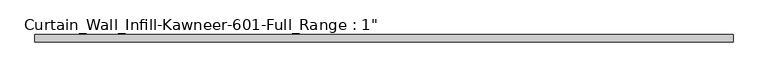
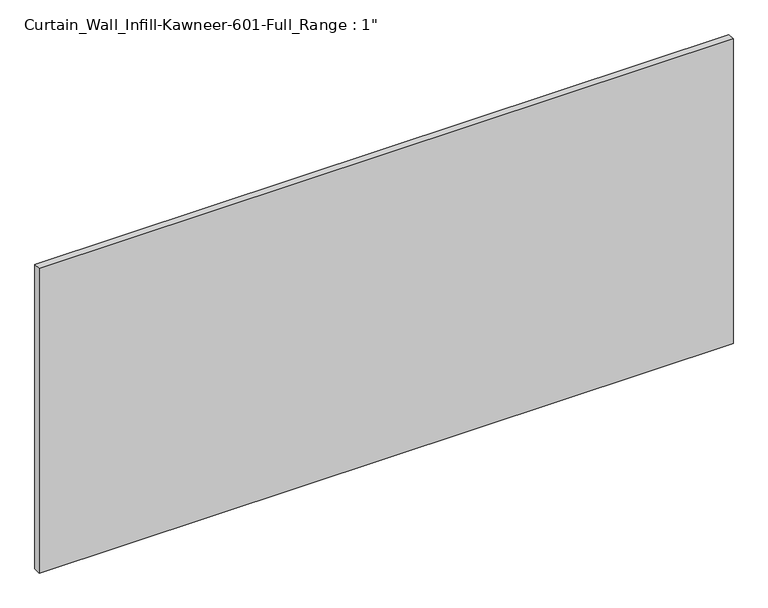
"""IFC4 building model written with IfcOpenShell, lengths in millimetres: plate geometry."""

import ifcopenshell
import ifcopenshell.guid

model = None  # the IFC model being written
_history = None  # IfcOwnerHistory: only IFC2X3 demands one
_inside = {}  # id of a spatial element -> (the spatial element, [elements in it])
_under = {}  # id of a project, library or spatial element -> (it, [spatial elements below it])
_declared = {}  # id of a project -> (the project, [libraries it declares])
_typed = {}  # id of a type object -> (the type object, [elements of that type])
_made_of = {}  # id of a material, layer set ... -> (it, [elements and type objects made of it])


def new_model(schema):
    """Start an empty IFC model of exactly this schema.

    Asked for "IFC4X3", IfcOpenShell would pick the latest addendum, in which some entities
    have other attributes; the version numbers below select the first issue.
    IFC2X3 requires an IfcOwnerHistory on every rooted entity: one is made here for all.
    """
    global model, _history
    if schema == "IFC4X3":
        model = ifcopenshell.file(schema_version=(4, 3, 0, 0))
    else:
        model = ifcopenshell.file(schema=schema)
    _inside.clear()
    _under.clear()
    _declared.clear()
    _typed.clear()
    _made_of.clear()
    _history = None
    if model.schema == "IFC2X3":
        org = make("IfcOrganization", Name="unknown")
        user = make(
            "IfcPersonAndOrganization",
            ThePerson=make("IfcPerson", FamilyName="unknown"),
            TheOrganization=org,
        )
        app = make(
            "IfcApplication",
            ApplicationDeveloper=org,
            Version="unknown",
            ApplicationFullName="unknown",
            ApplicationIdentifier="unknown",
        )
        _history = make(
            "IfcOwnerHistory",
            OwningUser=user,
            OwningApplication=app,
            ChangeAction="ADDED",
            CreationDate=0,
        )
    return model


def make(cls, **values):
    """One entity of the class cls with the attributes given. An attribute that is None is left unset."""
    return model.create_entity(
        cls, **{name: value for name, value in values.items() if value is not None}
    )


def rooted(cls, **values):
    """An entity with a GlobalId (a new one), such as an element, a storey or a relation."""
    return make(cls, GlobalId=ifcopenshell.guid.new(), OwnerHistory=_history, **values)


def si_unit(unit_type, name, prefix=None):
    """IfcSIUnit, for example si_unit("LENGTHUNIT", "METRE", prefix="MILLI")."""
    return make("IfcSIUnit", UnitType=unit_type, Prefix=prefix, Name=name)


def assignment(units):
    """IfcUnitAssignment: the units of a project."""
    return None if units is None else make("IfcUnitAssignment", Units=units)


def point(xyz):
    """IfcCartesianPoint."""
    return None if xyz is None else make("IfcCartesianPoint", Coordinates=xyz)


def direction(xyz):
    """IfcDirection."""
    return None if xyz is None else make("IfcDirection", DirectionRatios=xyz)


def frame(location, z_axis=None, x_axis=None):
    """IfcAxis2Placement3D, a coordinate frame: its origin and axes. An axis left out is left unset."""
    return make(
        "IfcAxis2Placement3D",
        Location=point(location),
        Axis=direction(z_axis),
        RefDirection=direction(x_axis),
    )


def origin():
    """The frame at (0, 0, 0) with its axes left unset."""
    return frame((0.0, 0.0, 0.0))


def origin_with_axes():
    """The frame at (0, 0, 0) with the z axis (0, 0, 1) and the x axis (1, 0, 0) written out."""
    return frame((0.0, 0.0, 0.0), z_axis=(0.0, 0.0, 1.0), x_axis=(1.0, 0.0, 0.0))


def place(relative_to, where):
    """IfcLocalPlacement: puts the frame where relative to a parent placement (None: the world)."""
    return make(
        "IfcLocalPlacement", PlacementRelTo=relative_to, RelativePlacement=where
    )


def context(
    kind, dimensions, precision=None, world=None, true_north=None, identifier=None
):
    """IfcGeometricRepresentationContext, for example the 3D "Model" context."""
    return make(
        "IfcGeometricRepresentationContext",
        ContextIdentifier=identifier,
        ContextType=kind,
        CoordinateSpaceDimension=dimensions,
        Precision=precision,
        WorldCoordinateSystem=world,
        TrueNorth=true_north,
    )


def project(units=None, contexts=None):
    """IfcProject with its units and contexts."""
    return rooted(
        "IfcProject",
        Name="project",
        RepresentationContexts=contexts,
        UnitsInContext=assignment(units),
    )


def spatial(cls, under=None, at=None, **own):
    """A site, building, storey or space (cls), placed at a placement, below another one or the project."""
    s = rooted(cls, ObjectPlacement=at, **own)
    if under is not None:
        _under.setdefault(under.id(), (under, []))[1].append(s)
    return s


def polyline(points):
    """IfcPolyline through the points."""
    return make("IfcPolyline", Points=[point(p) for p in points])


def outline(outer, holes=None, kind="AREA"):
    """IfcArbitraryClosedProfileDef: a profile drawn as a closed curve; with holes, ...WithVoids."""
    if holes is None:
        return make("IfcArbitraryClosedProfileDef", ProfileType=kind, OuterCurve=outer)
    return make(
        "IfcArbitraryProfileDefWithVoids",
        ProfileType=kind,
        OuterCurve=outer,
        InnerCurves=holes,
    )


def extrude(swept, where, along, depth):
    """IfcExtrudedAreaSolid: the profile swept, set in the frame where, extruded along a direction by depth."""
    return make(
        "IfcExtrudedAreaSolid",
        SweptArea=swept,
        Position=where,
        ExtrudedDirection=direction(along),
        Depth=depth,
    )


def shape(context_of_items, identifier, shape_type, items):
    """IfcShapeRepresentation: the items that make up one representation, for example the "Body"."""
    return make(
        "IfcShapeRepresentation",
        ContextOfItems=context_of_items,
        RepresentationIdentifier=identifier,
        RepresentationType=shape_type,
        Items=items,
    )


def source(mapping_origin, context_of_items, identifier, shape_type, items):
    """IfcRepresentationMap: a shape defined once, which mapped items show again and again."""
    return make(
        "IfcRepresentationMap",
        MappingOrigin=mapping_origin,
        MappedRepresentation=shape(context_of_items, identifier, shape_type, items),
    )


def transform(
    local_origin,
    x_axis=None,
    y_axis=None,
    z_axis=None,
    scale=None,
    scale2=None,
    scale3=None,
    uniform=True,
):
    """IfcCartesianTransformationOperator3D, or its non-uniform kind. x_axis, y_axis, z_axis: its Axis1, 2, 3."""
    if uniform:
        return make(
            "IfcCartesianTransformationOperator3D",
            Axis1=direction(x_axis),
            Axis2=direction(y_axis),
            LocalOrigin=point(local_origin),
            Scale=scale,
            Axis3=direction(z_axis),
        )
    return make(
        "IfcCartesianTransformationOperator3DnonUniform",
        Axis1=direction(x_axis),
        Axis2=direction(y_axis),
        LocalOrigin=point(local_origin),
        Scale=scale,
        Axis3=direction(z_axis),
        Scale2=scale2,
        Scale3=scale3,
    )


def mapped(mapping_source, mapping_target):
    """IfcMappedItem: shows the shape of a source again, moved by a transform."""
    return make(
        "IfcMappedItem", MappingSource=mapping_source, MappingTarget=mapping_target
    )


def made_of(thing, what):
    """Note that an element or type object is made of a material, layer set ...; save() writes the relation."""
    if what is not None:
        _made_of.setdefault(what.id(), (what, []))[1].append(thing)
    return thing


def element(
    cls,
    number,
    at=None,
    inside=None,
    cuts=None,
    type_object=None,
    material=None,
    context=None,
    identifier="Body",
    shape_type=None,
    held_by="IfcProductDefinitionShape",
    body=None,
    shapes=None,
    **own,
):
    """One element of the class cls, such as IfcWall. Its Tag is "e" and its number.

    at: its placement. inside: the storey or other place that contains it. cuts: it is an
    opening in that element (IfcRelVoidsElement). A single representation is given by context,
    identifier, shape_type and body (its items); several are given by shapes. held_by: the class
    of the entity that holds the representations. save() writes the other relations.
    """
    e = rooted(cls, Tag="e%d" % number, ObjectPlacement=at, **own)
    if body is not None:
        shapes = [shape(context, identifier, shape_type, body)]
    if shapes is not None:
        e.Representation = make(held_by, Representations=shapes)
    if inside is not None:
        _inside.setdefault(inside.id(), (inside, []))[1].append(e)
    if cuts is not None:
        rooted(
            "IfcRelVoidsElement", RelatingBuildingElement=cuts, RelatedOpeningElement=e
        )
    if type_object is not None:
        _typed.setdefault(type_object.id(), (type_object, []))[1].append(e)
    return made_of(e, material)


def aggregate(whole, parts):
    """IfcRelAggregates: a whole, such as a stair, and the parts it consists of."""
    return rooted("IfcRelAggregates", RelatingObject=whole, RelatedObjects=parts)


def save(model, path):
    """Write the relations noted so far, then the file.

    IfcRelAggregates (storeys below a building ...), IfcRelContainedInSpatialStructure (elements
    in a storey), IfcRelDefinesByType, IfcRelAssociatesMaterial and IfcRelDeclares: one each for
    every whole, place, type object, material and project.
    """
    for whole, parts in _under.values():
        aggregate(whole, parts)
    for where, things in _inside.values():
        rooted(
            "IfcRelContainedInSpatialStructure",
            RelatedElements=things,
            RelatingStructure=where,
        )
    for kind, things in _typed.values():
        rooted("IfcRelDefinesByType", RelatedObjects=things, RelatingType=kind)
    for what, things in _made_of.values():
        rooted("IfcRelAssociatesMaterial", RelatedObjects=things, RelatingMaterial=what)
    for by, libraries in _declared.values():
        rooted("IfcRelDeclares", RelatingContext=by, RelatedDefinitions=libraries)
    model.write(path)


def plate_721d4ae3(model_context):
    return source(origin(), model_context, "Body", "SweptSolid", [
        extrude(outline(polyline([(-1238.25, 12.7), (1238.25, 12.7), (1238.25, -12.7), (-1238.25, -12.7), (-1238.25, 12.7)])), origin_with_axes(), (0.0, 0.0, 1.0), 1149.35),
    ])


if __name__ == "__main__":
    model = new_model("IFC4")
    model_context = context("Model", 3, world=origin())
    ifc_project = project(units=[si_unit("LENGTHUNIT", "METRE", prefix="MILLI")], contexts=[model_context])
    site = spatial("IfcSite", under=ifc_project)
    building = spatial("IfcBuilding", under=site)
    placement = place(None, origin())
    plate_shape = plate_721d4ae3(model_context)
    element("IfcPlate", 1, ObjectType="Curtain_Wall_Infill-Kawneer-601-Full_Range : 1\"", at=placement, inside=building, context=model_context, shape_type="MappedRepresentation", body=[
        mapped(plate_shape, transform((0.0, 0.0, 0.0), x_axis=(1.0, 0.0, 0.0), y_axis=(0.0, 1.0, 0.0), z_axis=(0.0, 0.0, 1.0))),
    ])
    save(model, "model.ifc")
